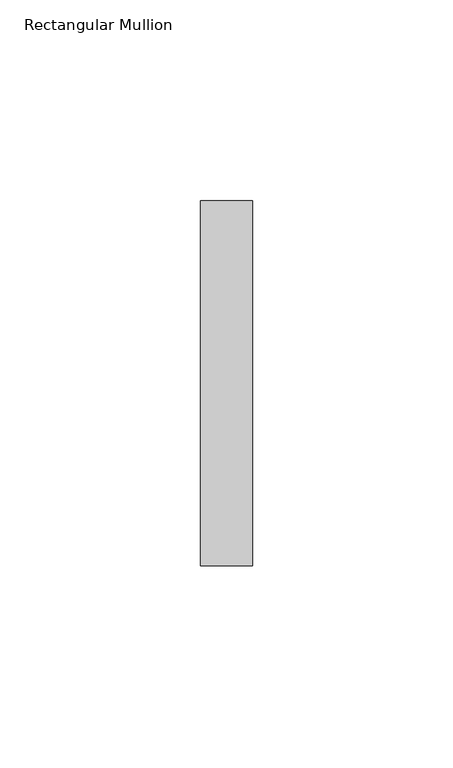
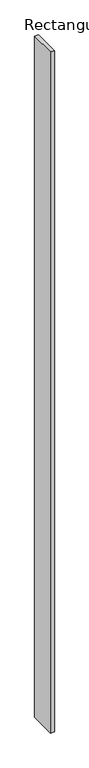
"""IFC4 building model written with IfcOpenShell, lengths in millimetres: member geometry, Rectangular Mullion."""

from ifc_helpers import new_model, si_unit, frame, origin, place, context, project, spatial, polyline, outline, extrude, source, transform, mapped, element, save


def rectangular_mullion_9025efaf(model_context):
    return source(origin(), model_context, "Body", "SweptSolid", [
        extrude(outline(polyline([(-13.0, 45.5), (0.0, 45.5), (0.0, -45.5), (-13.0, -45.5), (-13.0, 45.5)])), frame((0.0, 0.0, -2400.0), z_axis=(0.0, 0.0, 1.0), x_axis=(1.0, 0.0, 0.0)), (0.0, 0.0, 1.0), 2400.0),
    ])


if __name__ == "__main__":
    model = new_model("IFC4")
    model_context = context("Model", 3, world=origin())
    ifc_project = project(units=[si_unit("LENGTHUNIT", "METRE", prefix="MILLI")], contexts=[model_context])
    site = spatial("IfcSite", under=ifc_project)
    building = spatial("IfcBuilding", under=site)
    placement = place(None, origin())
    rectangular_mullion_shape = rectangular_mullion_9025efaf(model_context)
    element("IfcMember", 1, ObjectType="Rectangular Mullion", at=placement, inside=building, context=model_context, shape_type="MappedRepresentation", body=[
        mapped(rectangular_mullion_shape, transform((0.0, 0.0, 0.0), x_axis=(1.0, 0.0, 0.0), y_axis=(0.0, 1.0, 0.0), z_axis=(0.0, 0.0, 1.0))),
    ])
    save(model, "model.ifc")
